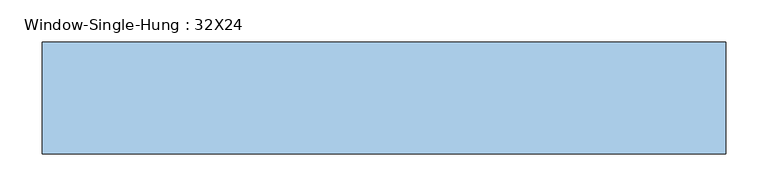
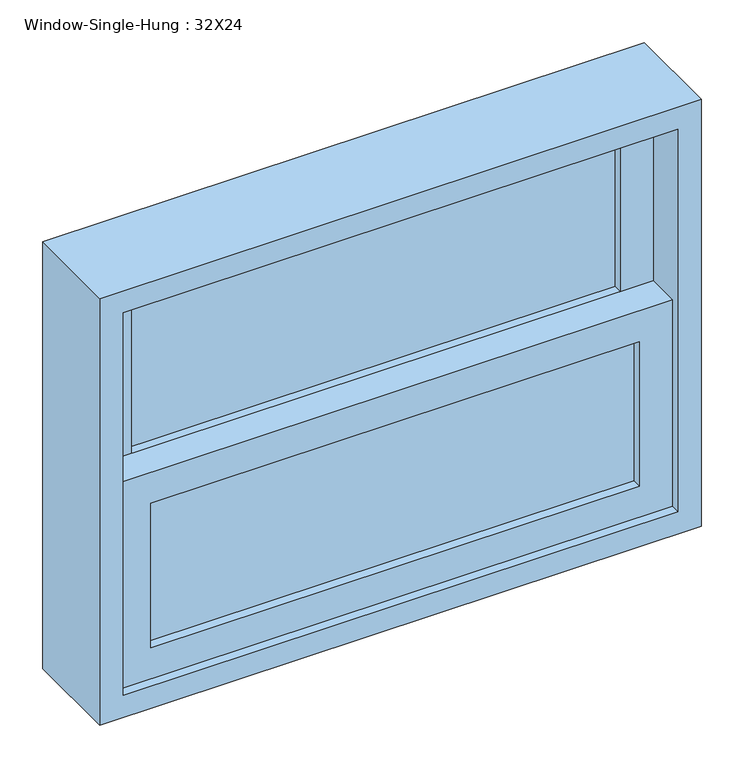
"""IFC4 building model written with IfcOpenShell, lengths in millimetres: window geometry, Window-Single-Hung : 32X24."""

import ifcopenshell
import ifcopenshell.guid

model = None  # the IFC model being written
_history = None  # IfcOwnerHistory: only IFC2X3 demands one
_inside = {}  # id of a spatial element -> (the spatial element, [elements in it])
_under = {}  # id of a project, library or spatial element -> (it, [spatial elements below it])
_declared = {}  # id of a project -> (the project, [libraries it declares])
_typed = {}  # id of a type object -> (the type object, [elements of that type])
_made_of = {}  # id of a material, layer set ... -> (it, [elements and type objects made of it])


def new_model(schema):
    """Start an empty IFC model of exactly this schema.

    Asked for "IFC4X3", IfcOpenShell would pick the latest addendum, in which some entities
    have other attributes; the version numbers below select the first issue.
    IFC2X3 requires an IfcOwnerHistory on every rooted entity: one is made here for all.
    """
    global model, _history
    if schema == "IFC4X3":
        model = ifcopenshell.file(schema_version=(4, 3, 0, 0))
    else:
        model = ifcopenshell.file(schema=schema)
    _inside.clear()
    _under.clear()
    _declared.clear()
    _typed.clear()
    _made_of.clear()
    _history = None
    if model.schema == "IFC2X3":
        org = make("IfcOrganization", Name="unknown")
        user = make(
            "IfcPersonAndOrganization",
            ThePerson=make("IfcPerson", FamilyName="unknown"),
            TheOrganization=org,
        )
        app = make(
            "IfcApplication",
            ApplicationDeveloper=org,
            Version="unknown",
            ApplicationFullName="unknown",
            ApplicationIdentifier="unknown",
        )
        _history = make(
            "IfcOwnerHistory",
            OwningUser=user,
            OwningApplication=app,
            ChangeAction="ADDED",
            CreationDate=0,
        )
    return model


def make(cls, **values):
    """One entity of the class cls with the attributes given. An attribute that is None is left unset."""
    return model.create_entity(
        cls, **{name: value for name, value in values.items() if value is not None}
    )


def rooted(cls, **values):
    """An entity with a GlobalId (a new one), such as an element, a storey or a relation."""
    return make(cls, GlobalId=ifcopenshell.guid.new(), OwnerHistory=_history, **values)


def si_unit(unit_type, name, prefix=None):
    """IfcSIUnit, for example si_unit("LENGTHUNIT", "METRE", prefix="MILLI")."""
    return make("IfcSIUnit", UnitType=unit_type, Prefix=prefix, Name=name)


def assignment(units):
    """IfcUnitAssignment: the units of a project."""
    return None if units is None else make("IfcUnitAssignment", Units=units)


def point(xyz):
    """IfcCartesianPoint."""
    return None if xyz is None else make("IfcCartesianPoint", Coordinates=xyz)


def direction(xyz):
    """IfcDirection."""
    return None if xyz is None else make("IfcDirection", DirectionRatios=xyz)


def frame(location, z_axis=None, x_axis=None):
    """IfcAxis2Placement3D, a coordinate frame: its origin and axes. An axis left out is left unset."""
    return make(
        "IfcAxis2Placement3D",
        Location=point(location),
        Axis=direction(z_axis),
        RefDirection=direction(x_axis),
    )


def origin():
    """The frame at (0, 0, 0) with its axes left unset."""
    return frame((0.0, 0.0, 0.0))


def place(relative_to, where):
    """IfcLocalPlacement: puts the frame where relative to a parent placement (None: the world)."""
    return make(
        "IfcLocalPlacement", PlacementRelTo=relative_to, RelativePlacement=where
    )


def context(
    kind, dimensions, precision=None, world=None, true_north=None, identifier=None
):
    """IfcGeometricRepresentationContext, for example the 3D "Model" context."""
    return make(
        "IfcGeometricRepresentationContext",
        ContextIdentifier=identifier,
        ContextType=kind,
        CoordinateSpaceDimension=dimensions,
        Precision=precision,
        WorldCoordinateSystem=world,
        TrueNorth=true_north,
    )


def project(units=None, contexts=None):
    """IfcProject with its units and contexts."""
    return rooted(
        "IfcProject",
        Name="project",
        RepresentationContexts=contexts,
        UnitsInContext=assignment(units),
    )


def spatial(cls, under=None, at=None, **own):
    """A site, building, storey or space (cls), placed at a placement, below another one or the project."""
    s = rooted(cls, ObjectPlacement=at, **own)
    if under is not None:
        _under.setdefault(under.id(), (under, []))[1].append(s)
    return s


def polyline(points):
    """IfcPolyline through the points."""
    return make("IfcPolyline", Points=[point(p) for p in points])


def outline(outer, holes=None, kind="AREA"):
    """IfcArbitraryClosedProfileDef: a profile drawn as a closed curve; with holes, ...WithVoids."""
    if holes is None:
        return make("IfcArbitraryClosedProfileDef", ProfileType=kind, OuterCurve=outer)
    return make(
        "IfcArbitraryProfileDefWithVoids",
        ProfileType=kind,
        OuterCurve=outer,
        InnerCurves=holes,
    )


def extrude(swept, where, along, depth):
    """IfcExtrudedAreaSolid: the profile swept, set in the frame where, extruded along a direction by depth."""
    return make(
        "IfcExtrudedAreaSolid",
        SweptArea=swept,
        Position=where,
        ExtrudedDirection=direction(along),
        Depth=depth,
    )


def shape(context_of_items, identifier, shape_type, items):
    """IfcShapeRepresentation: the items that make up one representation, for example the "Body"."""
    return make(
        "IfcShapeRepresentation",
        ContextOfItems=context_of_items,
        RepresentationIdentifier=identifier,
        RepresentationType=shape_type,
        Items=items,
    )


def source(mapping_origin, context_of_items, identifier, shape_type, items):
    """IfcRepresentationMap: a shape defined once, which mapped items show again and again."""
    return make(
        "IfcRepresentationMap",
        MappingOrigin=mapping_origin,
        MappedRepresentation=shape(context_of_items, identifier, shape_type, items),
    )


def transform(
    local_origin,
    x_axis=None,
    y_axis=None,
    z_axis=None,
    scale=None,
    scale2=None,
    scale3=None,
    uniform=True,
):
    """IfcCartesianTransformationOperator3D, or its non-uniform kind. x_axis, y_axis, z_axis: its Axis1, 2, 3."""
    if uniform:
        return make(
            "IfcCartesianTransformationOperator3D",
            Axis1=direction(x_axis),
            Axis2=direction(y_axis),
            LocalOrigin=point(local_origin),
            Scale=scale,
            Axis3=direction(z_axis),
        )
    return make(
        "IfcCartesianTransformationOperator3DnonUniform",
        Axis1=direction(x_axis),
        Axis2=direction(y_axis),
        LocalOrigin=point(local_origin),
        Scale=scale,
        Axis3=direction(z_axis),
        Scale2=scale2,
        Scale3=scale3,
    )


def mapped(mapping_source, mapping_target):
    """IfcMappedItem: shows the shape of a source again, moved by a transform."""
    return make(
        "IfcMappedItem", MappingSource=mapping_source, MappingTarget=mapping_target
    )


def made_of(thing, what):
    """Note that an element or type object is made of a material, layer set ...; save() writes the relation."""
    if what is not None:
        _made_of.setdefault(what.id(), (what, []))[1].append(thing)
    return thing


def element(
    cls,
    number,
    at=None,
    inside=None,
    cuts=None,
    type_object=None,
    material=None,
    context=None,
    identifier="Body",
    shape_type=None,
    held_by="IfcProductDefinitionShape",
    body=None,
    shapes=None,
    **own,
):
    """One element of the class cls, such as IfcWall. Its Tag is "e" and its number.

    at: its placement. inside: the storey or other place that contains it. cuts: it is an
    opening in that element (IfcRelVoidsElement). A single representation is given by context,
    identifier, shape_type and body (its items); several are given by shapes. held_by: the class
    of the entity that holds the representations. save() writes the other relations.
    """
    e = rooted(cls, Tag="e%d" % number, ObjectPlacement=at, **own)
    if body is not None:
        shapes = [shape(context, identifier, shape_type, body)]
    if shapes is not None:
        e.Representation = make(held_by, Representations=shapes)
    if inside is not None:
        _inside.setdefault(inside.id(), (inside, []))[1].append(e)
    if cuts is not None:
        rooted(
            "IfcRelVoidsElement", RelatingBuildingElement=cuts, RelatedOpeningElement=e
        )
    if type_object is not None:
        _typed.setdefault(type_object.id(), (type_object, []))[1].append(e)
    return made_of(e, material)


def aggregate(whole, parts):
    """IfcRelAggregates: a whole, such as a stair, and the parts it consists of."""
    return rooted("IfcRelAggregates", RelatingObject=whole, RelatedObjects=parts)


def save(model, path):
    """Write the relations noted so far, then the file.

    IfcRelAggregates (storeys below a building ...), IfcRelContainedInSpatialStructure (elements
    in a storey), IfcRelDefinesByType, IfcRelAssociatesMaterial and IfcRelDeclares: one each for
    every whole, place, type object, material and project.
    """
    for whole, parts in _under.values():
        aggregate(whole, parts)
    for where, things in _inside.values():
        rooted(
            "IfcRelContainedInSpatialStructure",
            RelatedElements=things,
            RelatingStructure=where,
        )
    for kind, things in _typed.values():
        rooted("IfcRelDefinesByType", RelatedObjects=things, RelatingType=kind)
    for what, things in _made_of.values():
        rooted("IfcRelAssociatesMaterial", RelatedObjects=things, RelatingMaterial=what)
    for by, libraries in _declared.values():
        rooted("IfcRelDeclares", RelatingContext=by, RelatedDefinitions=libraries)
    model.write(path)


def window_single_hung_32x24_0968d4d6(model_context):
    return source(origin(), model_context, "Body", "SweptSolid", [
        extrude(outline(polyline([(330.2, 4.7625), (330.2, -1.5875), (-330.2, -1.5875), (-330.2, 4.7625), (330.2, 4.7625)])), frame((0.0, 0.0, 990.6), z_axis=(0.0, 0.0, 1.0), x_axis=(1.0, 0.0, 0.0)), (0.0, 0.0, 1.0), 206.375),
        extrude(outline(polyline([(-330.2, -7.9375), (330.2, -7.9375), (330.2, -14.2875), (-330.2, -14.2875), (-330.2, -7.9375)])), frame((0.0, 0.0, 990.6), z_axis=(0.0, 0.0, 1.0), x_axis=(1.0, 0.0, 0.0)), (0.0, 0.0, 1.0), 206.375),
        extrude(outline(polyline([(330.2, 49.2125), (330.2, 42.8625), (-330.2, 42.8625), (-330.2, 49.2125), (330.2, 49.2125)])), frame((0.0, 0.0, 1241.425), z_axis=(0.0, 0.0, 1.0), x_axis=(1.0, 0.0, 0.0)), (0.0, 0.0, 1.0), 206.375),
        extrude(outline(polyline([(-330.2, 36.5125), (330.2, 36.5125), (330.2, 30.1625), (-330.2, 30.1625), (-330.2, 36.5125)])), frame((0.0, 0.0, 1241.425), z_axis=(0.0, 0.0, 1.0), x_axis=(1.0, 0.0, 0.0)), (0.0, 0.0, 1.0), 206.375),
        extrude(outline(polyline([(1241.425, -374.65), (946.15, -374.65), (946.15, 374.65), (1241.425, 374.65), (1241.425, -374.65)]), holes=[polyline([(1196.975, 330.2), (990.6, 330.2), (990.6, -330.2), (1196.975, -330.2), (1196.975, 330.2)])]), frame((0.0, -26.9875, 0.0), z_axis=(0.0, 1.0, 0.0), x_axis=(0.0, 0.0, 1.0)), (0.0, 0.0, 1.0), 44.45),
        extrude(outline(polyline([(1492.25, -374.65), (1196.975, -374.65), (1196.975, 374.65), (1492.25, 374.65), (1492.25, -374.65)]), holes=[polyline([(1447.8, 330.2), (1241.425, 330.2), (1241.425, -330.2), (1447.8, -330.2), (1447.8, 330.2)])]), frame((0.0, 17.4625, 0.0), z_axis=(0.0, 1.0, 0.0), x_axis=(0.0, 0.0, 1.0)), (0.0, 0.0, 1.0), 44.45),
        extrude(outline(polyline([(1524.0, -406.4), (914.4, -406.4), (914.4, 406.4), (1524.0, 406.4), (1524.0, -406.4)]), holes=[polyline([(1492.25, 374.65), (946.15, 374.65), (946.15, -374.65), (1492.25, -374.65), (1492.25, 374.65)])]), frame((0.0, -39.6875, 0.0), z_axis=(0.0, 1.0, 0.0), x_axis=(0.0, 0.0, 1.0)), (0.0, 0.0, 1.0), 133.35),
    ])


if __name__ == "__main__":
    model = new_model("IFC4")
    model_context = context("Model", 3, world=origin())
    ifc_project = project(units=[si_unit("LENGTHUNIT", "METRE", prefix="MILLI")], contexts=[model_context])
    site = spatial("IfcSite", under=ifc_project)
    building = spatial("IfcBuilding", under=site)
    placement = place(None, origin())
    window_single_hung_32x24_shape = window_single_hung_32x24_0968d4d6(model_context)
    element("IfcWindow", 1, ObjectType="Window-Single-Hung : 32X24", at=placement, inside=building, context=model_context, shape_type="MappedRepresentation", body=[
        mapped(window_single_hung_32x24_shape, transform((0.0, 0.0, 0.0), x_axis=(1.0, 0.0, 0.0), y_axis=(0.0, 1.0, 0.0), z_axis=(0.0, 0.0, 1.0))),
    ])
    save(model, "model.ifc")
